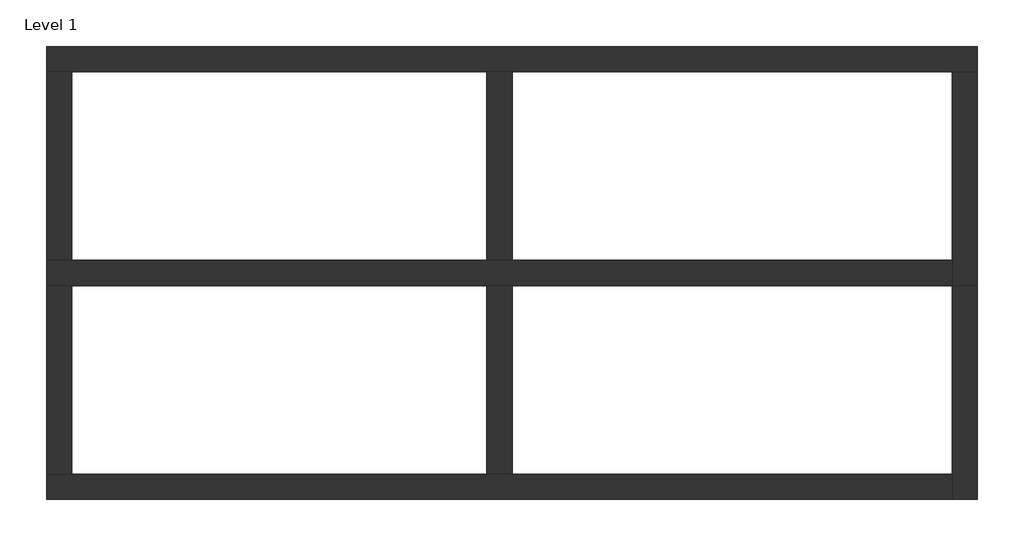
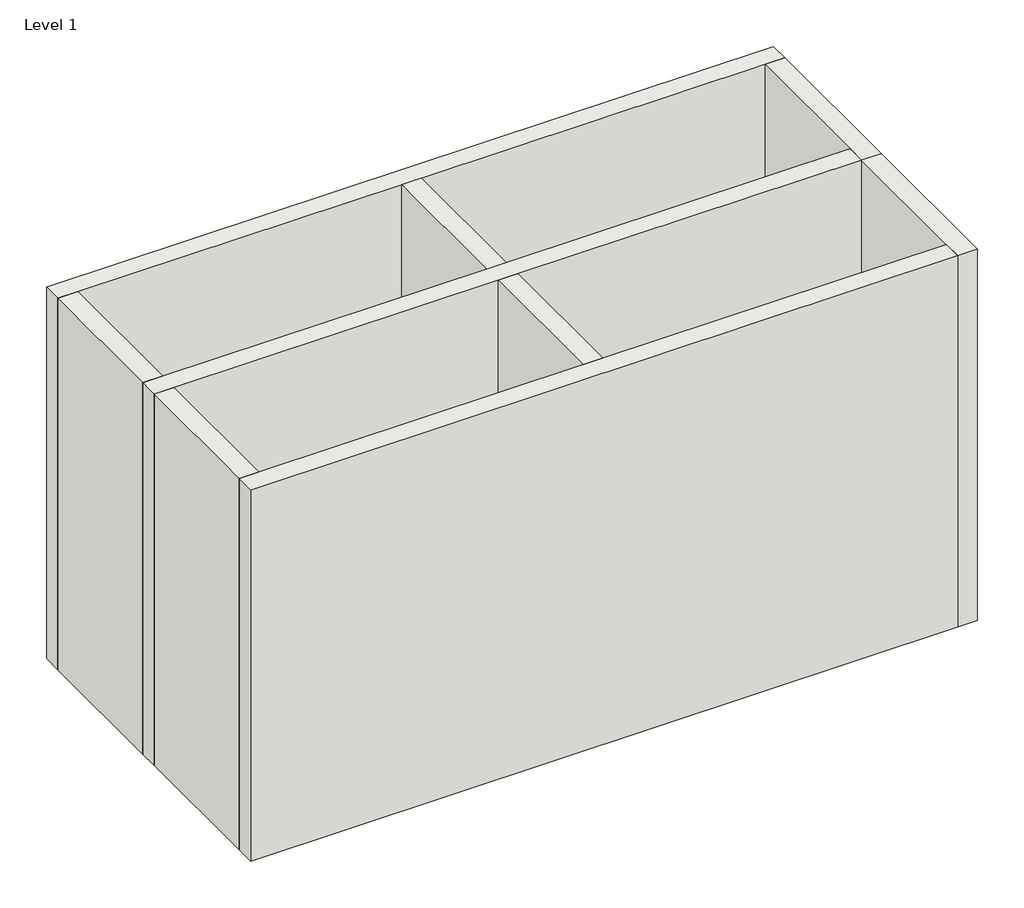
# One storey: 9 walls.
"""IFC4 building model written with IfcOpenShell, lengths in millimetres."""

from ifc_helpers import new_model, si_unit, origin, origin_with_axes, place, context, project, spatial, polyline, outline, extrude, faceted_brep, element, save

model = new_model("IFC4")

# Units and contexts
model_context = context("Model", 3, world=origin())
ifc_project = project(units=[si_unit("LENGTHUNIT", "METRE", prefix="MILLI")], contexts=[model_context])

# Site, building, storey
site = spatial("IfcSite", under=ifc_project)
building = spatial("IfcBuilding", under=site)
storey = spatial("IfcBuildingStorey", under=building, Name="Level 1", Elevation=0.0)

# Walls
placement = place(None, origin())
element("IfcWall", 1, ObjectType="Wall 1", at=placement, inside=storey, context=model_context, shape_type="Brep", body=[
    faceted_brep([(112.1026895, 3334.596577, 0.0), (312.1026895, 3334.596577, 0.0), (3612.1026895, 3334.596577, 0.0), (3812.1026895, 3334.596577, 0.0), (7312.1026895, 3334.596577, 0.0), (7512.1026895, 3334.596577, 0.0), (7512.1026895, 3334.596577, 4000.0), (7312.1026895, 3334.596577, 4000.0), (3812.1026895, 3334.596577, 4000.0), (3612.1026895, 3334.596577, 4000.0), (312.1026895, 3334.596577, 4000.0), (112.1026895, 3334.596577, 4000.0), (112.1026895, 3534.596577, 0.0), (112.1026895, 3534.596577, 4000.0), (7512.1026895, 3534.596577, 4000.0), (7512.1026895, 3534.596577, 0.0)], [[[0, 1, 2, 3, 4, 5, 6, 7, 8, 9, 10, 11]], [[12, 13, 14, 15]], [[5, 4, 3, 2, 1, 0, 12, 15]], [[11, 10, 9, 8, 7, 6, 14, 13]], [[6, 5, 15, 14]], [[0, 11, 13, 12]]]),
])
element("IfcWall", 2, ObjectType="Wall 1", at=placement, inside=storey, context=model_context, shape_type="Brep", body=[
    faceted_brep([(7312.1026895, 3334.596577, 0.0), (7312.1026895, 1834.596577, 0.0), (7312.1026895, 1634.596577, 0.0), (7312.1026895, 1634.596577, 4000.0), (7312.1026895, 1834.596577, 4000.0), (7312.1026895, 3334.596577, 4000.0), (7512.1026895, 3334.596577, 0.0), (7512.1026895, 3334.596577, 4000.0), (7512.1026895, 1634.596577, 4000.0), (7512.1026895, 1634.596577, 0.0)], [[[0, 1, 2, 3, 4, 5]], [[6, 7, 8, 9]], [[2, 1, 0, 6, 9]], [[5, 4, 3, 8, 7]], [[0, 5, 7, 6]], [[3, 2, 9, 8]]]),
])
element("IfcWall", 3, ObjectType="Wall 1", at=placement, inside=storey, context=model_context, shape_type="Brep", body=[
    faceted_brep([(7312.1026895, 1834.596577, 0.0), (3812.1026895, 1834.596577, 0.0), (3612.1026895, 1834.596577, 0.0), (312.1026895, 1834.596577, 0.0), (112.1026895, 1834.596577, 0.0), (112.1026895, 1834.596577, 4000.0), (312.1026895, 1834.596577, 4000.0), (3612.1026895, 1834.596577, 4000.0), (3812.1026895, 1834.596577, 4000.0), (7312.1026895, 1834.596577, 4000.0), (7312.1026895, 1634.596577, 0.0), (7312.1026895, 1634.596577, 4000.0), (3812.1026895, 1634.596577, 4000.0), (3612.1026895, 1634.596577, 4000.0), (312.1026895, 1634.596577, 4000.0), (112.1026895, 1634.596577, 4000.0), (112.1026895, 1634.596577, 0.0), (312.1026895, 1634.596577, 0.0), (3612.1026895, 1634.596577, 0.0), (3812.1026895, 1634.596577, 0.0)], [[[0, 1, 2, 3, 4, 5, 6, 7, 8, 9]], [[10, 11, 12, 13, 14, 15, 16, 17, 18, 19]], [[4, 3, 2, 1, 0, 10, 19, 18, 17, 16]], [[9, 8, 7, 6, 5, 15, 14, 13, 12, 11]], [[0, 9, 11, 10]], [[5, 4, 16, 15]]]),
])
element("IfcWall", 4, ObjectType="Wall 1", at=placement, inside=storey, context=model_context, shape_type="SweptSolid", body=[
    extrude(outline(polyline([(312.1026895, 3334.596577), (312.1026895, 1834.596577), (112.1026895, 1834.596577), (112.1026895, 3334.596577), (312.1026895, 3334.596577)])), origin_with_axes(), (0.0, 0.0, 1.0), 4000.0),
])
element("IfcWall", 5, ObjectType="Wall 1", at=placement, inside=storey, context=model_context, shape_type="SweptSolid", body=[
    extrude(outline(polyline([(3612.1026895, 1834.596577), (3612.1026895, 3334.596577), (3812.1026895, 3334.596577), (3812.1026895, 1834.596577), (3612.1026895, 1834.596577)])), origin_with_axes(), (0.0, 0.0, 1.0), 4000.0),
])
element("IfcWall", 6, ObjectType="Wall 1", at=placement, inside=storey, context=model_context, shape_type="Brep", body=[
    faceted_brep([(7312.1026895, 1634.596577, 0.0), (7312.1026895, 134.596577, 0.0), (7312.1026895, -65.403423, 0.0), (7312.1026895, -65.403423, 4000.0), (7312.1026895, 134.596577, 4000.0), (7312.1026895, 1634.596577, 4000.0), (7512.1026895, 1634.596577, 0.0), (7512.1026895, 1634.596577, 4000.0), (7512.1026895, -65.403423, 4000.0), (7512.1026895, -65.403423, 0.0)], [[[0, 1, 2, 3, 4, 5]], [[6, 7, 8, 9]], [[2, 1, 0, 6, 9]], [[5, 4, 3, 8, 7]], [[3, 2, 9, 8]], [[0, 5, 7, 6]]]),
])
element("IfcWall", 7, ObjectType="Wall 1", at=placement, inside=storey, context=model_context, shape_type="Brep", body=[
    faceted_brep([(7312.1026895, 134.596577, 0.0), (3812.1026895, 134.596577, 0.0), (3612.1026895, 134.596577, 0.0), (312.1026895, 134.596577, 0.0), (112.1026895, 134.596577, 0.0), (112.1026895, 134.596577, 4000.0), (312.1026895, 134.596577, 4000.0), (3612.1026895, 134.596577, 4000.0), (3812.1026895, 134.596577, 4000.0), (7312.1026895, 134.596577, 4000.0), (7312.1026895, -65.403423, 0.0), (7312.1026895, -65.403423, 4000.0), (112.1026895, -65.403423, 4000.0), (112.1026895, -65.403423, 0.0)], [[[0, 1, 2, 3, 4, 5, 6, 7, 8, 9]], [[10, 11, 12, 13]], [[4, 3, 2, 1, 0, 10, 13]], [[9, 8, 7, 6, 5, 12, 11]], [[0, 9, 11, 10]], [[5, 4, 13, 12]]]),
])
element("IfcWall", 8, ObjectType="Wall 1", at=placement, inside=storey, context=model_context, shape_type="SweptSolid", body=[
    extrude(outline(polyline([(312.1026895, 1634.596577), (312.1026895, 134.596577), (112.1026895, 134.596577), (112.1026895, 1634.596577), (312.1026895, 1634.596577)])), origin_with_axes(), (0.0, 0.0, 1.0), 4000.0),
])
element("IfcWall", 9, ObjectType="Wall 1", at=placement, inside=storey, context=model_context, shape_type="SweptSolid", body=[
    extrude(outline(polyline([(3612.1026895, 134.596577), (3612.1026895, 1634.596577), (3812.1026895, 1634.596577), (3812.1026895, 134.596577), (3612.1026895, 134.596577)])), origin_with_axes(), (0.0, 0.0, 1.0), 4000.0),
])

save(model, "model.ifc")
